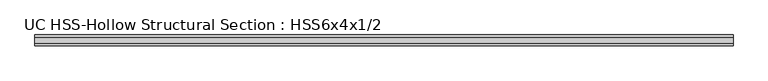
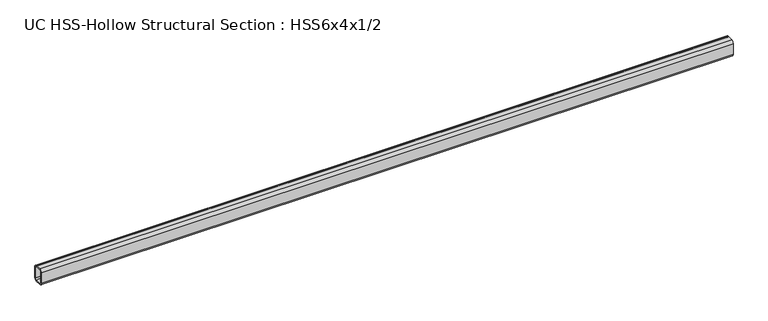
"""IFC4 building model written with IfcOpenShell, lengths in millimetres: beam geometry, UC HSS-Hollow Structural Section : HSS6x4x1/2."""

from ifc_helpers import new_model, si_unit, point, frame, frame_2d, origin, place, context, project, spatial, polyline, circle_curve, trimmed, segment, composite_curve, outline, extrude, source, transform, mapped, element, save


def uc_hss_hollow_structural_section_hss6x4x1_2_ecc99ff2(model_context):
    return source(origin(), model_context, "Body", "SweptSolid", [
        extrude(outline(composite_curve([segment(polyline([(50.8, 52.578), (50.8, -52.578)]), True, "CONTINUOUS"), segment(trimmed(circle_curve(frame_2d((27.178, -52.578)), 23.622), [point((50.8, -52.578))], [point((27.178, -76.2))], False, "CARTESIAN"), True, "CONTINUOUS"), segment(polyline([(27.178, -76.2), (-27.178, -76.2)]), True, "CONTINUOUS"), segment(trimmed(circle_curve(frame_2d((-27.178, -52.578)), 23.622), [point((-27.178, -76.2))], [point((-50.8, -52.578))], False, "CARTESIAN"), True, "CONTINUOUS"), segment(polyline([(-50.8, -52.578), (-50.8, 52.578)]), True, "CONTINUOUS"), segment(trimmed(circle_curve(frame_2d((-27.178, 52.578)), 23.622), [point((-50.8, 52.578))], [point((-27.178, 76.2))], False, "CARTESIAN"), True, "CONTINUOUS"), segment(polyline([(-27.178, 76.2), (27.178, 76.2)]), True, "CONTINUOUS"), segment(trimmed(circle_curve(frame_2d((27.178, 52.578)), 23.622), [point((27.178, 76.2))], [point((50.8, 52.578))], False, "CARTESIAN"), True, "CONTINUOUS")], self_intersect=False), holes=[composite_curve([segment(trimmed(circle_curve(frame_2d((-27.178, 52.578)), 11.811), [point((-27.178, 64.389))], [point((-38.989, 52.578))], True, "CARTESIAN"), True, "CONTINUOUS"), segment(polyline([(-38.989, 52.578), (-38.989, -52.578)]), True, "CONTINUOUS"), segment(trimmed(circle_curve(frame_2d((-27.178, -52.578)), 11.811), [point((-38.989, -52.578))], [point((-27.178, -64.389))], True, "CARTESIAN"), True, "CONTINUOUS"), segment(polyline([(-27.178, -64.389), (27.178, -64.389)]), True, "CONTINUOUS"), segment(trimmed(circle_curve(frame_2d((27.178, -52.578)), 11.811), [point((27.178, -64.389))], [point((38.989, -52.578))], True, "CARTESIAN"), True, "CONTINUOUS"), segment(polyline([(38.989, -52.578), (38.989, 52.578)]), True, "CONTINUOUS"), segment(trimmed(circle_curve(frame_2d((27.178, 52.578)), 11.811), [point((38.989, 52.578))], [point((27.178, 64.389))], True, "CARTESIAN"), True, "CONTINUOUS"), segment(polyline([(27.178, 64.389), (-27.178, 64.389)]), True, "CONTINUOUS")], self_intersect=False)]), frame((-3119.9747533, 0.0, 0.0), z_axis=(1.0, 0.0, 0.0), x_axis=(0.0, 1.0, 0.0)), (0.0, 0.0, 1.0), 6425.2255631),
    ])


if __name__ == "__main__":
    model = new_model("IFC4")
    model_context = context("Model", 3, world=origin())
    ifc_project = project(units=[si_unit("LENGTHUNIT", "METRE", prefix="MILLI")], contexts=[model_context])
    site = spatial("IfcSite", under=ifc_project)
    building = spatial("IfcBuilding", under=site)
    placement = place(None, origin())
    uc_hss_hollow_structural_section_hss6x4x1_2_shape = uc_hss_hollow_structural_section_hss6x4x1_2_ecc99ff2(model_context)
    element("IfcBeam", 1, ObjectType="UC HSS-Hollow Structural Section : HSS6x4x1/2", at=placement, inside=building, context=model_context, shape_type="MappedRepresentation", body=[
        mapped(uc_hss_hollow_structural_section_hss6x4x1_2_shape, transform((0.0, 0.0, 0.0), x_axis=(1.0, 0.0, 0.0), y_axis=(0.0, 1.0, 0.0), z_axis=(0.0, 0.0, 1.0))),
    ])
    save(model, "model.ifc")
